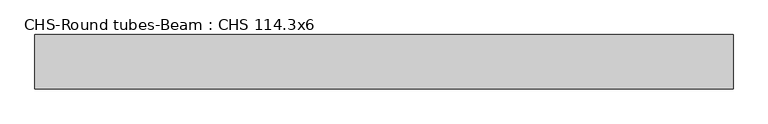
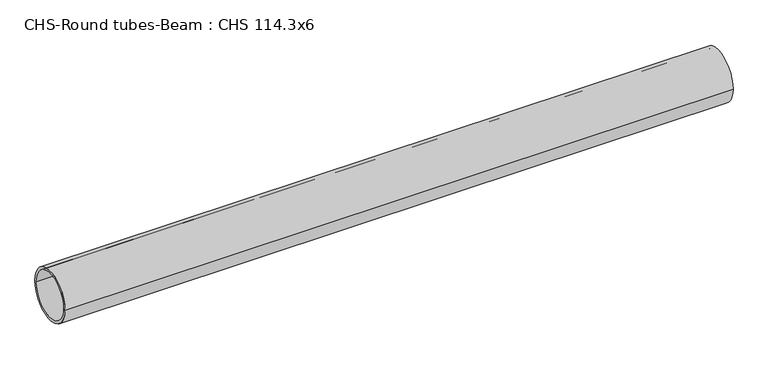
"""IFC4 building model written with IfcOpenShell, lengths in millimetres: beam geometry, CHS-Round tubes-Beam : CHS 114.3x6."""

from ifc_helpers import new_model, si_unit, point, frame, origin, origin_2d, place, context, project, spatial, circle_curve, trimmed, segment, composite_curve, outline, extrude, source, transform, mapped, element, save


def chs_round_tubes_beam_chs_114_3x6_37efa13d(model_context):
    return source(origin(), model_context, "Body", "SweptSolid", [
        extrude(outline(composite_curve([segment(trimmed(circle_curve(origin_2d(), 57.15), [point((57.15, 0.0))], [point((-57.15, 0.0))], False, "CARTESIAN"), True, "CONTINUOUS"), segment(trimmed(circle_curve(origin_2d(), 57.15), [point((-57.15, 0.0))], [point((57.15, 0.0))], False, "CARTESIAN"), True, "CONTINUOUS")], self_intersect=False), holes=[composite_curve([segment(trimmed(circle_curve(origin_2d(), 51.15), [point((51.15, 0.0))], [point((-51.15, 0.0))], True, "CARTESIAN"), True, "CONTINUOUS"), segment(trimmed(circle_curve(origin_2d(), 51.15), [point((-51.15, 0.0))], [point((51.15, 0.0))], True, "CARTESIAN"), True, "CONTINUOUS")], self_intersect=False)]), frame((-703.1017712, 0.0, 0.0), z_axis=(1.0, 0.0, 0.0), x_axis=(0.0, 1.0, 0.0)), (0.0, 0.0, 1.0), 1468.665744),
    ])


if __name__ == "__main__":
    model = new_model("IFC4")
    model_context = context("Model", 3, world=origin())
    ifc_project = project(units=[si_unit("LENGTHUNIT", "METRE", prefix="MILLI")], contexts=[model_context])
    site = spatial("IfcSite", under=ifc_project)
    building = spatial("IfcBuilding", under=site)
    placement = place(None, origin())
    chs_round_tubes_beam_chs_114_3x6_shape = chs_round_tubes_beam_chs_114_3x6_37efa13d(model_context)
    element("IfcBeam", 1, ObjectType="CHS-Round tubes-Beam : CHS 114.3x6", at=placement, inside=building, context=model_context, shape_type="MappedRepresentation", body=[
        mapped(chs_round_tubes_beam_chs_114_3x6_shape, transform((0.0, 0.0, 0.0), x_axis=(1.0, 0.0, 0.0), y_axis=(0.0, 1.0, 0.0), z_axis=(0.0, 0.0, 1.0))),
    ])
    save(model, "model.ifc")
